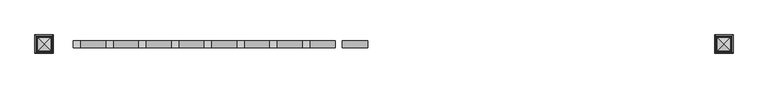
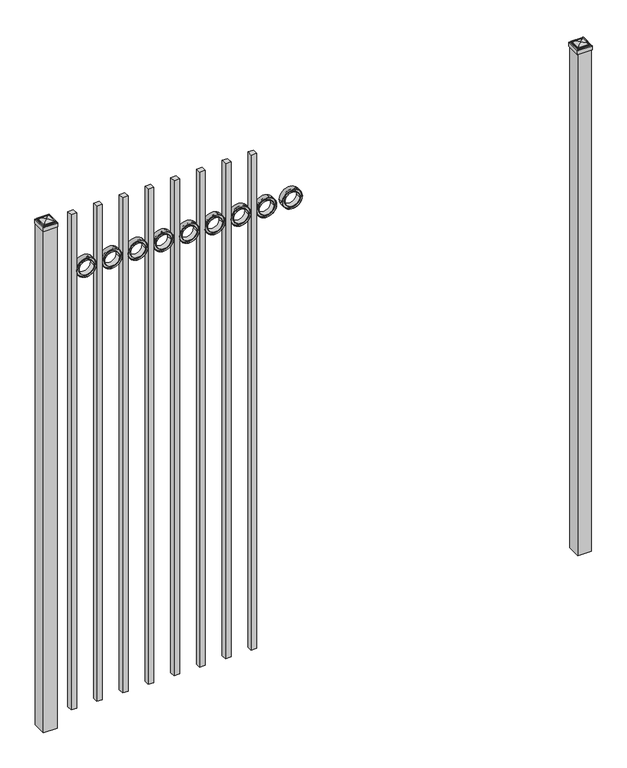
"""IFC4 building model written with IfcOpenShell, lengths in millimetres: railing geometry."""

from ifc_helpers import new_model, si_unit, point, frame, frame_2d, origin, origin_with_axes, place, context, project, spatial, polyline, circle_curve, ellipse_curve, trimmed, segment, composite_curve, outline, extrude, source, transform, mapped, element, save
from ifc_brep_helpers import plane_surface, cylinder_surface, advanced_brep


def railing_9c939551(model_context):
    return source(origin(), model_context, "Body", "SolidModel", [
        extrude(outline(composite_curve([segment(trimmed(circle_curve(frame_2d((2159.8040076, 12601.0088655)), 45.6988591), [point((2159.8040076, 12646.7077246))], [point((2159.8040076, 12555.3100064))], False, "CARTESIAN"), True, "CONTINUOUS"), segment(trimmed(circle_curve(frame_2d((2159.8040076, 12601.0088655)), 45.6988591), [point((2159.8040076, 12555.3100064))], [point((2159.8040076, 12646.7077246))], False, "CARTESIAN"), True, "CONTINUOUS")], self_intersect=False), holes=[composite_curve([segment(trimmed(circle_curve(frame_2d((2159.8040076, 12601.0088655)), 44.101539), [point((2159.8040076, 12645.1104045))], [point((2159.8040076, 12556.9073265))], True, "CARTESIAN"), True, "CONTINUOUS"), segment(trimmed(circle_curve(frame_2d((2159.8040076, 12601.0088655)), 44.101539), [point((2159.8040076, 12556.9073265))], [point((2159.8040076, 12645.1104045))], True, "CARTESIAN"), True, "CONTINUOUS")], self_intersect=False)]), frame((0.0, 7308.219541, 0.0), z_axis=(0.0, 1.0, 0.0), x_axis=(0.0, 0.0, 1.0)), (0.0, 0.0, 1.0), 25.4),
        extrude(outline(composite_curve([segment(trimmed(circle_curve(frame_2d((2159.8040076, 12601.0088655)), 34.6370762), [point((2159.8040076, 12635.6459417))], [point((2159.8040076, 12566.3717893))], False, "CARTESIAN"), True, "CONTINUOUS"), segment(trimmed(circle_curve(frame_2d((2159.8040076, 12601.0088655)), 34.6370762), [point((2159.8040076, 12566.3717893))], [point((2159.8040076, 12635.6459417))], False, "CARTESIAN"), True, "CONTINUOUS")], self_intersect=False), holes=[composite_curve([segment(trimmed(circle_curve(frame_2d((2159.8040076, 12601.0088655)), 33.0443887), [point((2159.8040076, 12634.0532542))], [point((2159.8040076, 12567.9644768))], True, "CARTESIAN"), True, "CONTINUOUS"), segment(trimmed(circle_curve(frame_2d((2159.8040076, 12601.0088655)), 33.0443887), [point((2159.8040076, 12567.9644768))], [point((2159.8040076, 12634.0532542))], True, "CARTESIAN"), True, "CONTINUOUS")], self_intersect=False)]), frame((0.0, 7308.219541, 0.0), z_axis=(0.0, 1.0, 0.0), x_axis=(0.0, 0.0, 1.0)), (0.0, 0.0, 1.0), 25.4),
        extrude(outline(composite_curve([segment(trimmed(circle_curve(frame_2d((2159.8040076, 12601.0088655)), 45.6988591), [point((2159.8040076, 12646.7077246))], [point((2159.8040076, 12555.3100064))], False, "CARTESIAN"), True, "CONTINUOUS"), segment(trimmed(circle_curve(frame_2d((2159.8040076, 12601.0088655)), 45.6988591), [point((2159.8040076, 12555.3100064))], [point((2159.8040076, 12646.7077246))], False, "CARTESIAN"), True, "CONTINUOUS")], self_intersect=False), holes=[composite_curve([segment(trimmed(circle_curve(frame_2d((2159.8040076, 12601.0088655)), 33.0443887), [point((2159.8040076, 12634.0532542))], [point((2159.8040076, 12567.9644768))], True, "CARTESIAN"), True, "CONTINUOUS"), segment(trimmed(circle_curve(frame_2d((2159.8040076, 12601.0088655)), 33.0443887), [point((2159.8040076, 12567.9644768))], [point((2159.8040076, 12634.0532542))], True, "CARTESIAN"), True, "CONTINUOUS")], self_intersect=False)]), frame((0.0, 7314.569541, 0.0), z_axis=(0.0, 1.0, 0.0), x_axis=(0.0, 0.0, 1.0)), (0.0, 0.0, 1.0), 12.7),
        extrude(outline(polyline([(12412.4350064, 7333.619541), (12437.8350064, 7333.619541), (12437.8350064, 7308.219541), (12412.4350064, 7308.219541), (12412.4350064, 7333.619541)])), frame((0.0, 0.0, 50.8), z_axis=(0.0, 0.0, 1.0), x_axis=(1.0, 0.0, 0.0)), (0.0, 0.0, 1.0), 2387.6),
        extrude(outline(composite_curve([segment(trimmed(circle_curve(frame_2d((2159.8040076, 12483.5338655)), 45.6988591), [point((2159.8040076, 12529.2327246))], [point((2159.8040076, 12437.8350064))], False, "CARTESIAN"), True, "CONTINUOUS"), segment(trimmed(circle_curve(frame_2d((2159.8040076, 12483.5338655)), 45.6988591), [point((2159.8040076, 12437.8350064))], [point((2159.8040076, 12529.2327246))], False, "CARTESIAN"), True, "CONTINUOUS")], self_intersect=False), holes=[composite_curve([segment(trimmed(circle_curve(frame_2d((2159.8040076, 12483.5338655)), 44.101539), [point((2159.8040076, 12527.6354045))], [point((2159.8040076, 12439.4323265))], True, "CARTESIAN"), True, "CONTINUOUS"), segment(trimmed(circle_curve(frame_2d((2159.8040076, 12483.5338655)), 44.101539), [point((2159.8040076, 12439.4323265))], [point((2159.8040076, 12527.6354045))], True, "CARTESIAN"), True, "CONTINUOUS")], self_intersect=False)]), frame((0.0, 7308.219541, 0.0), z_axis=(0.0, 1.0, 0.0), x_axis=(0.0, 0.0, 1.0)), (0.0, 0.0, 1.0), 25.4),
        extrude(outline(composite_curve([segment(trimmed(circle_curve(frame_2d((2159.8040076, 12483.5338655)), 34.6370762), [point((2159.8040076, 12518.1709417))], [point((2159.8040076, 12448.8967893))], False, "CARTESIAN"), True, "CONTINUOUS"), segment(trimmed(circle_curve(frame_2d((2159.8040076, 12483.5338655)), 34.6370762), [point((2159.8040076, 12448.8967893))], [point((2159.8040076, 12518.1709417))], False, "CARTESIAN"), True, "CONTINUOUS")], self_intersect=False), holes=[composite_curve([segment(trimmed(circle_curve(frame_2d((2159.8040076, 12483.5338655)), 33.0443887), [point((2159.8040076, 12516.5782542))], [point((2159.8040076, 12450.4894768))], True, "CARTESIAN"), True, "CONTINUOUS"), segment(trimmed(circle_curve(frame_2d((2159.8040076, 12483.5338655)), 33.0443887), [point((2159.8040076, 12450.4894768))], [point((2159.8040076, 12516.5782542))], True, "CARTESIAN"), True, "CONTINUOUS")], self_intersect=False)]), frame((0.0, 7308.219541, 0.0), z_axis=(0.0, 1.0, 0.0), x_axis=(0.0, 0.0, 1.0)), (0.0, 0.0, 1.0), 25.4),
        extrude(outline(composite_curve([segment(trimmed(circle_curve(frame_2d((2159.8040076, 12483.5338655)), 45.6988591), [point((2159.8040076, 12529.2327246))], [point((2159.8040076, 12437.8350064))], False, "CARTESIAN"), True, "CONTINUOUS"), segment(trimmed(circle_curve(frame_2d((2159.8040076, 12483.5338655)), 45.6988591), [point((2159.8040076, 12437.8350064))], [point((2159.8040076, 12529.2327246))], False, "CARTESIAN"), True, "CONTINUOUS")], self_intersect=False), holes=[composite_curve([segment(trimmed(circle_curve(frame_2d((2159.8040076, 12483.5338655)), 33.0443887), [point((2159.8040076, 12516.5782542))], [point((2159.8040076, 12450.4894768))], True, "CARTESIAN"), True, "CONTINUOUS"), segment(trimmed(circle_curve(frame_2d((2159.8040076, 12483.5338655)), 33.0443887), [point((2159.8040076, 12450.4894768))], [point((2159.8040076, 12516.5782542))], True, "CARTESIAN"), True, "CONTINUOUS")], self_intersect=False)]), frame((0.0, 7314.569541, 0.0), z_axis=(0.0, 1.0, 0.0), x_axis=(0.0, 0.0, 1.0)), (0.0, 0.0, 1.0), 12.7),
        extrude(outline(polyline([(12294.9600064, 7333.619541), (12320.3600064, 7333.619541), (12320.3600064, 7308.219541), (12294.9600064, 7308.219541), (12294.9600064, 7333.619541)])), frame((0.0, 0.0, 50.8), z_axis=(0.0, 0.0, 1.0), x_axis=(1.0, 0.0, 0.0)), (0.0, 0.0, 1.0), 2387.6),
        extrude(outline(composite_curve([segment(trimmed(circle_curve(frame_2d((2159.8040076, 12366.0588655)), 45.6988591), [point((2159.8040076, 12411.7577246))], [point((2159.8040076, 12320.3600064))], False, "CARTESIAN"), True, "CONTINUOUS"), segment(trimmed(circle_curve(frame_2d((2159.8040076, 12366.0588655)), 45.6988591), [point((2159.8040076, 12320.3600064))], [point((2159.8040076, 12411.7577246))], False, "CARTESIAN"), True, "CONTINUOUS")], self_intersect=False), holes=[composite_curve([segment(trimmed(circle_curve(frame_2d((2159.8040076, 12366.0588655)), 44.101539), [point((2159.8040076, 12410.1604045))], [point((2159.8040076, 12321.9573265))], True, "CARTESIAN"), True, "CONTINUOUS"), segment(trimmed(circle_curve(frame_2d((2159.8040076, 12366.0588655)), 44.101539), [point((2159.8040076, 12321.9573265))], [point((2159.8040076, 12410.1604045))], True, "CARTESIAN"), True, "CONTINUOUS")], self_intersect=False)]), frame((0.0, 7308.219541, 0.0), z_axis=(0.0, 1.0, 0.0), x_axis=(0.0, 0.0, 1.0)), (0.0, 0.0, 1.0), 25.4),
        extrude(outline(composite_curve([segment(trimmed(circle_curve(frame_2d((2159.8040076, 12366.0588655)), 34.6370762), [point((2159.8040076, 12400.6959417))], [point((2159.8040076, 12331.4217893))], False, "CARTESIAN"), True, "CONTINUOUS"), segment(trimmed(circle_curve(frame_2d((2159.8040076, 12366.0588655)), 34.6370762), [point((2159.8040076, 12331.4217893))], [point((2159.8040076, 12400.6959417))], False, "CARTESIAN"), True, "CONTINUOUS")], self_intersect=False), holes=[composite_curve([segment(trimmed(circle_curve(frame_2d((2159.8040076, 12366.0588655)), 33.0443887), [point((2159.8040076, 12399.1032542))], [point((2159.8040076, 12333.0144768))], True, "CARTESIAN"), True, "CONTINUOUS"), segment(trimmed(circle_curve(frame_2d((2159.8040076, 12366.0588655)), 33.0443887), [point((2159.8040076, 12333.0144768))], [point((2159.8040076, 12399.1032542))], True, "CARTESIAN"), True, "CONTINUOUS")], self_intersect=False)]), frame((0.0, 7308.219541, 0.0), z_axis=(0.0, 1.0, 0.0), x_axis=(0.0, 0.0, 1.0)), (0.0, 0.0, 1.0), 25.4),
        extrude(outline(composite_curve([segment(trimmed(circle_curve(frame_2d((2159.8040076, 12366.0588655)), 45.6988591), [point((2159.8040076, 12411.7577246))], [point((2159.8040076, 12320.3600064))], False, "CARTESIAN"), True, "CONTINUOUS"), segment(trimmed(circle_curve(frame_2d((2159.8040076, 12366.0588655)), 45.6988591), [point((2159.8040076, 12320.3600064))], [point((2159.8040076, 12411.7577246))], False, "CARTESIAN"), True, "CONTINUOUS")], self_intersect=False), holes=[composite_curve([segment(trimmed(circle_curve(frame_2d((2159.8040076, 12366.0588655)), 33.0443887), [point((2159.8040076, 12399.1032542))], [point((2159.8040076, 12333.0144768))], True, "CARTESIAN"), True, "CONTINUOUS"), segment(trimmed(circle_curve(frame_2d((2159.8040076, 12366.0588655)), 33.0443887), [point((2159.8040076, 12333.0144768))], [point((2159.8040076, 12399.1032542))], True, "CARTESIAN"), True, "CONTINUOUS")], self_intersect=False)]), frame((0.0, 7314.569541, 0.0), z_axis=(0.0, 1.0, 0.0), x_axis=(0.0, 0.0, 1.0)), (0.0, 0.0, 1.0), 12.7),
        extrude(outline(polyline([(12177.4850064, 7333.619541), (12202.8850064, 7333.619541), (12202.8850064, 7308.219541), (12177.4850064, 7308.219541), (12177.4850064, 7333.619541)])), frame((0.0, 0.0, 50.8), z_axis=(0.0, 0.0, 1.0), x_axis=(1.0, 0.0, 0.0)), (0.0, 0.0, 1.0), 2387.6),
        extrude(outline(composite_curve([segment(trimmed(circle_curve(frame_2d((2159.8040076, 12248.5838655)), 45.6988591), [point((2159.8040076, 12294.2827246))], [point((2159.8040076, 12202.8850064))], False, "CARTESIAN"), True, "CONTINUOUS"), segment(trimmed(circle_curve(frame_2d((2159.8040076, 12248.5838655)), 45.6988591), [point((2159.8040076, 12202.8850064))], [point((2159.8040076, 12294.2827246))], False, "CARTESIAN"), True, "CONTINUOUS")], self_intersect=False), holes=[composite_curve([segment(trimmed(circle_curve(frame_2d((2159.8040076, 12248.5838655)), 44.101539), [point((2159.8040076, 12292.6854045))], [point((2159.8040076, 12204.4823265))], True, "CARTESIAN"), True, "CONTINUOUS"), segment(trimmed(circle_curve(frame_2d((2159.8040076, 12248.5838655)), 44.101539), [point((2159.8040076, 12204.4823265))], [point((2159.8040076, 12292.6854045))], True, "CARTESIAN"), True, "CONTINUOUS")], self_intersect=False)]), frame((0.0, 7308.219541, 0.0), z_axis=(0.0, 1.0, 0.0), x_axis=(0.0, 0.0, 1.0)), (0.0, 0.0, 1.0), 25.4),
        extrude(outline(composite_curve([segment(trimmed(circle_curve(frame_2d((2159.8040076, 12248.5838655)), 34.6370762), [point((2159.8040076, 12283.2209417))], [point((2159.8040076, 12213.9467893))], False, "CARTESIAN"), True, "CONTINUOUS"), segment(trimmed(circle_curve(frame_2d((2159.8040076, 12248.5838655)), 34.6370762), [point((2159.8040076, 12213.9467893))], [point((2159.8040076, 12283.2209417))], False, "CARTESIAN"), True, "CONTINUOUS")], self_intersect=False), holes=[composite_curve([segment(trimmed(circle_curve(frame_2d((2159.8040076, 12248.5838655)), 33.0443887), [point((2159.8040076, 12281.6282542))], [point((2159.8040076, 12215.5394768))], True, "CARTESIAN"), True, "CONTINUOUS"), segment(trimmed(circle_curve(frame_2d((2159.8040076, 12248.5838655)), 33.0443887), [point((2159.8040076, 12215.5394768))], [point((2159.8040076, 12281.6282542))], True, "CARTESIAN"), True, "CONTINUOUS")], self_intersect=False)]), frame((0.0, 7308.219541, 0.0), z_axis=(0.0, 1.0, 0.0), x_axis=(0.0, 0.0, 1.0)), (0.0, 0.0, 1.0), 25.4),
        extrude(outline(composite_curve([segment(trimmed(circle_curve(frame_2d((2159.8040076, 12248.5838655)), 45.6988591), [point((2159.8040076, 12294.2827246))], [point((2159.8040076, 12202.8850064))], False, "CARTESIAN"), True, "CONTINUOUS"), segment(trimmed(circle_curve(frame_2d((2159.8040076, 12248.5838655)), 45.6988591), [point((2159.8040076, 12202.8850064))], [point((2159.8040076, 12294.2827246))], False, "CARTESIAN"), True, "CONTINUOUS")], self_intersect=False), holes=[composite_curve([segment(trimmed(circle_curve(frame_2d((2159.8040076, 12248.5838655)), 33.0443887), [point((2159.8040076, 12281.6282542))], [point((2159.8040076, 12215.5394768))], True, "CARTESIAN"), True, "CONTINUOUS"), segment(trimmed(circle_curve(frame_2d((2159.8040076, 12248.5838655)), 33.0443887), [point((2159.8040076, 12215.5394768))], [point((2159.8040076, 12281.6282542))], True, "CARTESIAN"), True, "CONTINUOUS")], self_intersect=False)]), frame((0.0, 7314.569541, 0.0), z_axis=(0.0, 1.0, 0.0), x_axis=(0.0, 0.0, 1.0)), (0.0, 0.0, 1.0), 12.7),
        extrude(outline(polyline([(12060.0100064, 7333.619541), (12085.4100064, 7333.619541), (12085.4100064, 7308.219541), (12060.0100064, 7308.219541), (12060.0100064, 7333.619541)])), frame((0.0, 0.0, 50.8), z_axis=(0.0, 0.0, 1.0), x_axis=(1.0, 0.0, 0.0)), (0.0, 0.0, 1.0), 2387.6),
        extrude(outline(composite_curve([segment(trimmed(circle_curve(frame_2d((2159.8040076, 12131.1088655)), 45.6988591), [point((2159.8040076, 12176.8077246))], [point((2159.8040076, 12085.4100064))], False, "CARTESIAN"), True, "CONTINUOUS"), segment(trimmed(circle_curve(frame_2d((2159.8040076, 12131.1088655)), 45.6988591), [point((2159.8040076, 12085.4100064))], [point((2159.8040076, 12176.8077246))], False, "CARTESIAN"), True, "CONTINUOUS")], self_intersect=False), holes=[composite_curve([segment(trimmed(circle_curve(frame_2d((2159.8040076, 12131.1088655)), 44.101539), [point((2159.8040076, 12175.2104045))], [point((2159.8040076, 12087.0073265))], True, "CARTESIAN"), True, "CONTINUOUS"), segment(trimmed(circle_curve(frame_2d((2159.8040076, 12131.1088655)), 44.101539), [point((2159.8040076, 12087.0073265))], [point((2159.8040076, 12175.2104045))], True, "CARTESIAN"), True, "CONTINUOUS")], self_intersect=False)]), frame((0.0, 7308.219541, 0.0), z_axis=(0.0, 1.0, 0.0), x_axis=(0.0, 0.0, 1.0)), (0.0, 0.0, 1.0), 25.4),
        extrude(outline(composite_curve([segment(trimmed(circle_curve(frame_2d((2159.8040076, 12131.1088655)), 34.6370762), [point((2159.8040076, 12165.7459417))], [point((2159.8040076, 12096.4717893))], False, "CARTESIAN"), True, "CONTINUOUS"), segment(trimmed(circle_curve(frame_2d((2159.8040076, 12131.1088655)), 34.6370762), [point((2159.8040076, 12096.4717893))], [point((2159.8040076, 12165.7459417))], False, "CARTESIAN"), True, "CONTINUOUS")], self_intersect=False), holes=[composite_curve([segment(trimmed(circle_curve(frame_2d((2159.8040076, 12131.1088655)), 33.0443887), [point((2159.8040076, 12164.1532542))], [point((2159.8040076, 12098.0644768))], True, "CARTESIAN"), True, "CONTINUOUS"), segment(trimmed(circle_curve(frame_2d((2159.8040076, 12131.1088655)), 33.0443887), [point((2159.8040076, 12098.0644768))], [point((2159.8040076, 12164.1532542))], True, "CARTESIAN"), True, "CONTINUOUS")], self_intersect=False)]), frame((0.0, 7308.219541, 0.0), z_axis=(0.0, 1.0, 0.0), x_axis=(0.0, 0.0, 1.0)), (0.0, 0.0, 1.0), 25.4),
        extrude(outline(composite_curve([segment(trimmed(circle_curve(frame_2d((2159.8040076, 12131.1088655)), 45.6988591), [point((2159.8040076, 12176.8077246))], [point((2159.8040076, 12085.4100064))], False, "CARTESIAN"), True, "CONTINUOUS"), segment(trimmed(circle_curve(frame_2d((2159.8040076, 12131.1088655)), 45.6988591), [point((2159.8040076, 12085.4100064))], [point((2159.8040076, 12176.8077246))], False, "CARTESIAN"), True, "CONTINUOUS")], self_intersect=False), holes=[composite_curve([segment(trimmed(circle_curve(frame_2d((2159.8040076, 12131.1088655)), 33.0443887), [point((2159.8040076, 12164.1532542))], [point((2159.8040076, 12098.0644768))], True, "CARTESIAN"), True, "CONTINUOUS"), segment(trimmed(circle_curve(frame_2d((2159.8040076, 12131.1088655)), 33.0443887), [point((2159.8040076, 12098.0644768))], [point((2159.8040076, 12164.1532542))], True, "CARTESIAN"), True, "CONTINUOUS")], self_intersect=False)]), frame((0.0, 7314.569541, 0.0), z_axis=(0.0, 1.0, 0.0), x_axis=(0.0, 0.0, 1.0)), (0.0, 0.0, 1.0), 12.7),
        extrude(outline(polyline([(11942.5350064, 7333.619541), (11967.9350064, 7333.619541), (11967.9350064, 7308.219541), (11942.5350064, 7308.219541), (11942.5350064, 7333.619541)])), frame((0.0, 0.0, 50.8), z_axis=(0.0, 0.0, 1.0), x_axis=(1.0, 0.0, 0.0)), (0.0, 0.0, 1.0), 2387.6),
        extrude(outline(composite_curve([segment(trimmed(circle_curve(frame_2d((2159.8040076, 12013.6338655)), 45.6988591), [point((2159.8040076, 12059.3327246))], [point((2159.8040076, 11967.9350064))], False, "CARTESIAN"), True, "CONTINUOUS"), segment(trimmed(circle_curve(frame_2d((2159.8040076, 12013.6338655)), 45.6988591), [point((2159.8040076, 11967.9350064))], [point((2159.8040076, 12059.3327246))], False, "CARTESIAN"), True, "CONTINUOUS")], self_intersect=False), holes=[composite_curve([segment(trimmed(circle_curve(frame_2d((2159.8040076, 12013.6338655)), 44.101539), [point((2159.8040076, 12057.7354045))], [point((2159.8040076, 11969.5323265))], True, "CARTESIAN"), True, "CONTINUOUS"), segment(trimmed(circle_curve(frame_2d((2159.8040076, 12013.6338655)), 44.101539), [point((2159.8040076, 11969.5323265))], [point((2159.8040076, 12057.7354045))], True, "CARTESIAN"), True, "CONTINUOUS")], self_intersect=False)]), frame((0.0, 7308.219541, 0.0), z_axis=(0.0, 1.0, 0.0), x_axis=(0.0, 0.0, 1.0)), (0.0, 0.0, 1.0), 25.4),
        extrude(outline(composite_curve([segment(trimmed(circle_curve(frame_2d((2159.8040076, 12013.6338655)), 34.6370762), [point((2159.8040076, 12048.2709417))], [point((2159.8040076, 11978.9967893))], False, "CARTESIAN"), True, "CONTINUOUS"), segment(trimmed(circle_curve(frame_2d((2159.8040076, 12013.6338655)), 34.6370762), [point((2159.8040076, 11978.9967893))], [point((2159.8040076, 12048.2709417))], False, "CARTESIAN"), True, "CONTINUOUS")], self_intersect=False), holes=[composite_curve([segment(trimmed(circle_curve(frame_2d((2159.8040076, 12013.6338655)), 33.0443887), [point((2159.8040076, 12046.6782542))], [point((2159.8040076, 11980.5894768))], True, "CARTESIAN"), True, "CONTINUOUS"), segment(trimmed(circle_curve(frame_2d((2159.8040076, 12013.6338655)), 33.0443887), [point((2159.8040076, 11980.5894768))], [point((2159.8040076, 12046.6782542))], True, "CARTESIAN"), True, "CONTINUOUS")], self_intersect=False)]), frame((0.0, 7308.219541, 0.0), z_axis=(0.0, 1.0, 0.0), x_axis=(0.0, 0.0, 1.0)), (0.0, 0.0, 1.0), 25.4),
        extrude(outline(composite_curve([segment(trimmed(circle_curve(frame_2d((2159.8040076, 12013.6338655)), 45.6988591), [point((2159.8040076, 12059.3327246))], [point((2159.8040076, 11967.9350064))], False, "CARTESIAN"), True, "CONTINUOUS"), segment(trimmed(circle_curve(frame_2d((2159.8040076, 12013.6338655)), 45.6988591), [point((2159.8040076, 11967.9350064))], [point((2159.8040076, 12059.3327246))], False, "CARTESIAN"), True, "CONTINUOUS")], self_intersect=False), holes=[composite_curve([segment(trimmed(circle_curve(frame_2d((2159.8040076, 12013.6338655)), 33.0443887), [point((2159.8040076, 12046.6782542))], [point((2159.8040076, 11980.5894768))], True, "CARTESIAN"), True, "CONTINUOUS"), segment(trimmed(circle_curve(frame_2d((2159.8040076, 12013.6338655)), 33.0443887), [point((2159.8040076, 11980.5894768))], [point((2159.8040076, 12046.6782542))], True, "CARTESIAN"), True, "CONTINUOUS")], self_intersect=False)]), frame((0.0, 7314.569541, 0.0), z_axis=(0.0, 1.0, 0.0), x_axis=(0.0, 0.0, 1.0)), (0.0, 0.0, 1.0), 12.7),
        extrude(outline(polyline([(11825.0600064, 7333.619541), (11850.4600064, 7333.619541), (11850.4600064, 7308.219541), (11825.0600064, 7308.219541), (11825.0600064, 7333.619541)])), frame((0.0, 0.0, 50.8), z_axis=(0.0, 0.0, 1.0), x_axis=(1.0, 0.0, 0.0)), (0.0, 0.0, 1.0), 2387.6),
        extrude(outline(composite_curve([segment(trimmed(circle_curve(frame_2d((2159.8040076, 11896.1588655)), 45.6988591), [point((2159.8040076, 11941.8577246))], [point((2159.8040076, 11850.4600064))], False, "CARTESIAN"), True, "CONTINUOUS"), segment(trimmed(circle_curve(frame_2d((2159.8040076, 11896.1588655)), 45.6988591), [point((2159.8040076, 11850.4600064))], [point((2159.8040076, 11941.8577246))], False, "CARTESIAN"), True, "CONTINUOUS")], self_intersect=False), holes=[composite_curve([segment(trimmed(circle_curve(frame_2d((2159.8040076, 11896.1588655)), 44.101539), [point((2159.8040076, 11940.2604045))], [point((2159.8040076, 11852.0573265))], True, "CARTESIAN"), True, "CONTINUOUS"), segment(trimmed(circle_curve(frame_2d((2159.8040076, 11896.1588655)), 44.101539), [point((2159.8040076, 11852.0573265))], [point((2159.8040076, 11940.2604045))], True, "CARTESIAN"), True, "CONTINUOUS")], self_intersect=False)]), frame((0.0, 7308.219541, 0.0), z_axis=(0.0, 1.0, 0.0), x_axis=(0.0, 0.0, 1.0)), (0.0, 0.0, 1.0), 25.4),
        extrude(outline(composite_curve([segment(trimmed(circle_curve(frame_2d((2159.8040076, 11896.1588655)), 34.6370762), [point((2159.8040076, 11930.7959417))], [point((2159.8040076, 11861.5217893))], False, "CARTESIAN"), True, "CONTINUOUS"), segment(trimmed(circle_curve(frame_2d((2159.8040076, 11896.1588655)), 34.6370762), [point((2159.8040076, 11861.5217893))], [point((2159.8040076, 11930.7959417))], False, "CARTESIAN"), True, "CONTINUOUS")], self_intersect=False), holes=[composite_curve([segment(trimmed(circle_curve(frame_2d((2159.8040076, 11896.1588655)), 33.0443887), [point((2159.8040076, 11929.2032542))], [point((2159.8040076, 11863.1144768))], True, "CARTESIAN"), True, "CONTINUOUS"), segment(trimmed(circle_curve(frame_2d((2159.8040076, 11896.1588655)), 33.0443887), [point((2159.8040076, 11863.1144768))], [point((2159.8040076, 11929.2032542))], True, "CARTESIAN"), True, "CONTINUOUS")], self_intersect=False)]), frame((0.0, 7308.219541, 0.0), z_axis=(0.0, 1.0, 0.0), x_axis=(0.0, 0.0, 1.0)), (0.0, 0.0, 1.0), 25.4),
        extrude(outline(composite_curve([segment(trimmed(circle_curve(frame_2d((2159.8040076, 11896.1588655)), 45.6988591), [point((2159.8040076, 11941.8577246))], [point((2159.8040076, 11850.4600064))], False, "CARTESIAN"), True, "CONTINUOUS"), segment(trimmed(circle_curve(frame_2d((2159.8040076, 11896.1588655)), 45.6988591), [point((2159.8040076, 11850.4600064))], [point((2159.8040076, 11941.8577246))], False, "CARTESIAN"), True, "CONTINUOUS")], self_intersect=False), holes=[composite_curve([segment(trimmed(circle_curve(frame_2d((2159.8040076, 11896.1588655)), 33.0443887), [point((2159.8040076, 11929.2032542))], [point((2159.8040076, 11863.1144768))], True, "CARTESIAN"), True, "CONTINUOUS"), segment(trimmed(circle_curve(frame_2d((2159.8040076, 11896.1588655)), 33.0443887), [point((2159.8040076, 11863.1144768))], [point((2159.8040076, 11929.2032542))], True, "CARTESIAN"), True, "CONTINUOUS")], self_intersect=False)]), frame((0.0, 7314.569541, 0.0), z_axis=(0.0, 1.0, 0.0), x_axis=(0.0, 0.0, 1.0)), (0.0, 0.0, 1.0), 12.7),
        extrude(outline(polyline([(11707.5850064, 7333.619541), (11732.9850064, 7333.619541), (11732.9850064, 7308.219541), (11707.5850064, 7308.219541), (11707.5850064, 7333.619541)])), frame((0.0, 0.0, 50.8), z_axis=(0.0, 0.0, 1.0), x_axis=(1.0, 0.0, 0.0)), (0.0, 0.0, 1.0), 2387.6),
        extrude(outline(composite_curve([segment(trimmed(circle_curve(frame_2d((2159.8040076, 11778.6838655)), 45.6988591), [point((2159.8040076, 11824.3827246))], [point((2159.8040076, 11732.9850064))], False, "CARTESIAN"), True, "CONTINUOUS"), segment(trimmed(circle_curve(frame_2d((2159.8040076, 11778.6838655)), 45.6988591), [point((2159.8040076, 11732.9850064))], [point((2159.8040076, 11824.3827246))], False, "CARTESIAN"), True, "CONTINUOUS")], self_intersect=False), holes=[composite_curve([segment(trimmed(circle_curve(frame_2d((2159.8040076, 11778.6838655)), 44.101539), [point((2159.8040076, 11822.7854045))], [point((2159.8040076, 11734.5823265))], True, "CARTESIAN"), True, "CONTINUOUS"), segment(trimmed(circle_curve(frame_2d((2159.8040076, 11778.6838655)), 44.101539), [point((2159.8040076, 11734.5823265))], [point((2159.8040076, 11822.7854045))], True, "CARTESIAN"), True, "CONTINUOUS")], self_intersect=False)]), frame((0.0, 7308.219541, 0.0), z_axis=(0.0, 1.0, 0.0), x_axis=(0.0, 0.0, 1.0)), (0.0, 0.0, 1.0), 25.4),
        extrude(outline(composite_curve([segment(trimmed(circle_curve(frame_2d((2159.8040076, 11778.6838655)), 34.6370762), [point((2159.8040076, 11813.3209417))], [point((2159.8040076, 11744.0467893))], False, "CARTESIAN"), True, "CONTINUOUS"), segment(trimmed(circle_curve(frame_2d((2159.8040076, 11778.6838655)), 34.6370762), [point((2159.8040076, 11744.0467893))], [point((2159.8040076, 11813.3209417))], False, "CARTESIAN"), True, "CONTINUOUS")], self_intersect=False), holes=[composite_curve([segment(trimmed(circle_curve(frame_2d((2159.8040076, 11778.6838655)), 33.0443887), [point((2159.8040076, 11811.7282542))], [point((2159.8040076, 11745.6394768))], True, "CARTESIAN"), True, "CONTINUOUS"), segment(trimmed(circle_curve(frame_2d((2159.8040076, 11778.6838655)), 33.0443887), [point((2159.8040076, 11745.6394768))], [point((2159.8040076, 11811.7282542))], True, "CARTESIAN"), True, "CONTINUOUS")], self_intersect=False)]), frame((0.0, 7308.219541, 0.0), z_axis=(0.0, 1.0, 0.0), x_axis=(0.0, 0.0, 1.0)), (0.0, 0.0, 1.0), 25.4),
        extrude(outline(composite_curve([segment(trimmed(circle_curve(frame_2d((2159.8040076, 11778.6838655)), 45.6988591), [point((2159.8040076, 11824.3827246))], [point((2159.8040076, 11732.9850064))], False, "CARTESIAN"), True, "CONTINUOUS"), segment(trimmed(circle_curve(frame_2d((2159.8040076, 11778.6838655)), 45.6988591), [point((2159.8040076, 11732.9850064))], [point((2159.8040076, 11824.3827246))], False, "CARTESIAN"), True, "CONTINUOUS")], self_intersect=False), holes=[composite_curve([segment(trimmed(circle_curve(frame_2d((2159.8040076, 11778.6838655)), 33.0443887), [point((2159.8040076, 11811.7282542))], [point((2159.8040076, 11745.6394768))], True, "CARTESIAN"), True, "CONTINUOUS"), segment(trimmed(circle_curve(frame_2d((2159.8040076, 11778.6838655)), 33.0443887), [point((2159.8040076, 11745.6394768))], [point((2159.8040076, 11811.7282542))], True, "CARTESIAN"), True, "CONTINUOUS")], self_intersect=False)]), frame((0.0, 7314.569541, 0.0), z_axis=(0.0, 1.0, 0.0), x_axis=(0.0, 0.0, 1.0)), (0.0, 0.0, 1.0), 12.7),
        extrude(outline(polyline([(11590.1100064, 7333.619541), (11615.5100064, 7333.619541), (11615.5100064, 7308.219541), (11590.1100064, 7308.219541), (11590.1100064, 7333.619541)])), frame((0.0, 0.0, 50.8), z_axis=(0.0, 0.0, 1.0), x_axis=(1.0, 0.0, 0.0)), (0.0, 0.0, 1.0), 2387.6),
        extrude(outline(composite_curve([segment(trimmed(circle_curve(frame_2d((2159.8040076, 11661.2088655)), 45.6988591), [point((2159.8040076, 11706.9077246))], [point((2159.8040076, 11615.5100064))], False, "CARTESIAN"), True, "CONTINUOUS"), segment(trimmed(circle_curve(frame_2d((2159.8040076, 11661.2088655)), 45.6988591), [point((2159.8040076, 11615.5100064))], [point((2159.8040076, 11706.9077246))], False, "CARTESIAN"), True, "CONTINUOUS")], self_intersect=False), holes=[composite_curve([segment(trimmed(circle_curve(frame_2d((2159.8040076, 11661.2088655)), 44.101539), [point((2159.8040076, 11705.3104045))], [point((2159.8040076, 11617.1073265))], True, "CARTESIAN"), True, "CONTINUOUS"), segment(trimmed(circle_curve(frame_2d((2159.8040076, 11661.2088655)), 44.101539), [point((2159.8040076, 11617.1073265))], [point((2159.8040076, 11705.3104045))], True, "CARTESIAN"), True, "CONTINUOUS")], self_intersect=False)]), frame((0.0, 7308.219541, 0.0), z_axis=(0.0, 1.0, 0.0), x_axis=(0.0, 0.0, 1.0)), (0.0, 0.0, 1.0), 25.4),
        extrude(outline(composite_curve([segment(trimmed(circle_curve(frame_2d((2159.8040076, 11661.2088655)), 34.6370762), [point((2159.8040076, 11695.8459417))], [point((2159.8040076, 11626.5717893))], False, "CARTESIAN"), True, "CONTINUOUS"), segment(trimmed(circle_curve(frame_2d((2159.8040076, 11661.2088655)), 34.6370762), [point((2159.8040076, 11626.5717893))], [point((2159.8040076, 11695.8459417))], False, "CARTESIAN"), True, "CONTINUOUS")], self_intersect=False), holes=[composite_curve([segment(trimmed(circle_curve(frame_2d((2159.8040076, 11661.2088655)), 33.0443887), [point((2159.8040076, 11694.2532542))], [point((2159.8040076, 11628.1644768))], True, "CARTESIAN"), True, "CONTINUOUS"), segment(trimmed(circle_curve(frame_2d((2159.8040076, 11661.2088655)), 33.0443887), [point((2159.8040076, 11628.1644768))], [point((2159.8040076, 11694.2532542))], True, "CARTESIAN"), True, "CONTINUOUS")], self_intersect=False)]), frame((0.0, 7308.219541, 0.0), z_axis=(0.0, 1.0, 0.0), x_axis=(0.0, 0.0, 1.0)), (0.0, 0.0, 1.0), 25.4),
        extrude(outline(composite_curve([segment(trimmed(circle_curve(frame_2d((2159.8040076, 11661.2088655)), 45.6988591), [point((2159.8040076, 11706.9077246))], [point((2159.8040076, 11615.5100064))], False, "CARTESIAN"), True, "CONTINUOUS"), segment(trimmed(circle_curve(frame_2d((2159.8040076, 11661.2088655)), 45.6988591), [point((2159.8040076, 11615.5100064))], [point((2159.8040076, 11706.9077246))], False, "CARTESIAN"), True, "CONTINUOUS")], self_intersect=False), holes=[composite_curve([segment(trimmed(circle_curve(frame_2d((2159.8040076, 11661.2088655)), 33.0443887), [point((2159.8040076, 11694.2532542))], [point((2159.8040076, 11628.1644768))], True, "CARTESIAN"), True, "CONTINUOUS"), segment(trimmed(circle_curve(frame_2d((2159.8040076, 11661.2088655)), 33.0443887), [point((2159.8040076, 11628.1644768))], [point((2159.8040076, 11694.2532542))], True, "CARTESIAN"), True, "CONTINUOUS")], self_intersect=False)]), frame((0.0, 7314.569541, 0.0), z_axis=(0.0, 1.0, 0.0), x_axis=(0.0, 0.0, 1.0)), (0.0, 0.0, 1.0), 12.7),
        extrude(outline(polyline([(13955.4850064, 7352.669541), (13955.4850064, 7289.169541), (13891.9850064, 7289.169541), (13891.9850064, 7352.669541), (13955.4850064, 7352.669541)])), origin_with_axes(), (0.0, 0.0, 1.0), 2417.7625),
        advanced_brep(
        [(13890.3975064, 7354.257041, 2436.01875), (13890.3975064, 7354.257041, 2417.7625), (13890.3975064, 7287.582041, 2417.7625), (13890.3975064, 7287.582041, 2436.01875), (13892.7787564, 7351.875791, 2438.4), (13892.7787564, 7289.963291, 2438.4), (13895.1600064, 7349.494541, 2440.78125), (13895.1600064, 7349.494541, 2438.4), (13895.1600064, 7292.344541, 2438.4), (13895.1600064, 7292.344541, 2440.78125), (13897.5412564, 7347.113291, 2443.1625), (13897.5412564, 7294.725791, 2443.1625), (13923.7350064, 7320.919541, 2449.5125), (13899.9225064, 7344.732041, 2443.1625), (13899.9225064, 7297.107041, 2443.1625), (13957.0725064, 7287.582041, 2417.7625), (13957.0725064, 7287.582041, 2436.01875), (13954.6912564, 7289.963291, 2438.4), (13952.3100064, 7292.344541, 2438.4), (13952.3100064, 7292.344541, 2440.78125), (13949.9287564, 7294.725791, 2443.1625), (13947.5475064, 7297.107041, 2443.1625), (13957.0725064, 7354.257041, 2417.7625), (13957.0725064, 7354.257041, 2436.01875), (13954.6912564, 7351.875791, 2438.4), (13952.3100064, 7349.494541, 2438.4), (13952.3100064, 7349.494541, 2440.78125), (13949.9287564, 7347.113291, 2443.1625), (13947.5475064, 7344.732041, 2443.1625)],
        [
            (0, 1),
            (1, 2),
            (2, 3),
            (3, 0),
            (4, 0, ellipse_curve(frame((13892.7787564, 7351.875791, 2436.01875), z_axis=(-0.70710678118655, -0.7071067811865449, 0.0), x_axis=(-0.7071067811865448, 0.7071067811865501, 0.0)), 3.367596, 2.38125)),
            (3, 5, ellipse_curve(frame((13892.7787564, 7289.963291, 2436.01875), z_axis=(-0.7071067811865449, 0.70710678118655, 0.0), x_axis=(0.7071067811865499, 0.707106781186545, 0.0)), 3.367596, 2.38125)),
            (5, 4),
            (6, 7),
            (7, 8),
            (8, 9),
            (9, 6),
            (10, 6, ellipse_curve(frame((13897.5412564, 7347.113291, 2440.78125), z_axis=(-0.70710678118655, -0.7071067811865449, 0.0), x_axis=(-0.7071067811865448, 0.7071067811865501, 0.0)), 3.367596, 2.38125)),
            (9, 11, ellipse_curve(frame((13897.5412564, 7294.725791, 2440.78125), z_axis=(-0.7071067811865449, 0.70710678118655, 0.0), x_axis=(0.7071067811865499, 0.707106781186545, 0.0)), 3.367596, 2.38125)),
            (11, 10),
            (12, 13, ellipse_curve(frame((13923.7350064, 7320.919541, 2401.6890625), z_axis=(-0.70710678118655, -0.7071067811865449, 0.0), x_axis=(-0.7071067811865448, 0.7071067811865501, 0.0)), 67.6325539, 47.8234375)),
            (13, 14),
            (14, 12, ellipse_curve(frame((13923.7350064, 7320.919541, 2401.6890625), z_axis=(-0.7071067811865449, 0.70710678118655, 0.0), x_axis=(0.7071067811865499, 0.707106781186545, 0.0)), 67.6325539, 47.8234375)),
            (2, 15),
            (15, 16),
            (16, 3),
            (16, 17, ellipse_curve(frame((13954.6912564, 7289.963291, 2436.01875), z_axis=(-0.70710678118655, -0.707106781186545, 0.0), x_axis=(-0.707106781186545, 0.70710678118655, 0.0)), 3.367596, 2.38125)),
            (17, 5),
            (8, 18),
            (18, 19),
            (19, 9),
            (19, 20, ellipse_curve(frame((13949.9287564, 7294.725791, 2440.78125), z_axis=(-0.70710678118655, -0.707106781186545, 0.0), x_axis=(-0.707106781186545, 0.70710678118655, 0.0)), 3.367596, 2.38125)),
            (20, 11),
            (14, 21),
            (21, 12, ellipse_curve(frame((13923.7350064, 7320.919541, 2401.6890625), z_axis=(-0.70710678118655, -0.707106781186545, 0.0), x_axis=(-0.707106781186545, 0.70710678118655, 0.0)), 67.6325539, 47.8234375)),
            (15, 22),
            (22, 23),
            (23, 16),
            (23, 24, ellipse_curve(frame((13954.6912564, 7351.875791, 2436.01875), z_axis=(0.707106781186545, -0.7071067811865499, 0.0), x_axis=(-0.7071067811865497, -0.7071067811865452, 0.0)), 3.367596, 2.38125)),
            (24, 17),
            (18, 25),
            (25, 26),
            (26, 19),
            (26, 27, ellipse_curve(frame((13949.9287564, 7347.113291, 2440.78125), z_axis=(0.707106781186545, -0.7071067811865499, 0.0), x_axis=(-0.7071067811865497, -0.7071067811865452, 0.0)), 3.367596, 2.38125)),
            (27, 20),
            (21, 28),
            (28, 12, ellipse_curve(frame((13923.7350064, 7320.919541, 2401.6890625), z_axis=(0.707106781186545, -0.7071067811865499, 0.0), x_axis=(-0.7071067811865497, -0.7071067811865452, 0.0)), 67.6325539, 47.8234375)),
            (22, 1),
            (0, 23),
            (4, 24),
            (7, 25),
            (6, 26),
            (10, 27),
            (13, 28),
        ],
        [
            plane_surface(frame((13890.3975064, 7354.257041, 2417.7625), z_axis=(-1.0, 0.0, 0.0), x_axis=(0.0, -1.0, 0.0))),
            cylinder_surface(frame((13892.7787564, 7352.669541, 2436.01875), z_axis=(0.0, 1.0, 0.0), x_axis=(1.0, 0.0, 0.0)), 2.38125),
            plane_surface(frame((13895.1600064, 7349.494541, 2438.4), z_axis=(-1.0, 0.0, 0.0), x_axis=(0.0, -1.0, 0.0))),
            cylinder_surface(frame((13897.5412564, 7352.669541, 2440.78125), z_axis=(0.0, 1.0, 0.0), x_axis=(1.0, 0.0, 0.0)), 2.38125),
            cylinder_surface(frame((13923.7350064, 7352.669541, 2401.6890625), z_axis=(0.0, 1.0, 0.0), x_axis=(1.0, 0.0, 0.0)), 47.8234375),
            plane_surface(frame((13890.3975064, 7287.582041, 2417.7625), z_axis=(0.0, -1.0, 0.0), x_axis=(1.0, 0.0, 0.0))),
            cylinder_surface(frame((13891.9850064, 7289.963291, 2436.01875), z_axis=(-1.0, 0.0, 0.0), x_axis=(0.0, 1.0, 0.0)), 2.38125),
            plane_surface(frame((13895.1600064, 7292.344541, 2438.4), z_axis=(0.0, -1.0, 0.0), x_axis=(1.0, 0.0, 0.0))),
            cylinder_surface(frame((13891.9850064, 7294.725791, 2440.78125), z_axis=(-1.0, 0.0, 0.0), x_axis=(0.0, 1.0, 0.0)), 2.38125),
            cylinder_surface(frame((13891.9850064, 7320.919541, 2401.6890625), z_axis=(-1.0, 0.0, 0.0), x_axis=(0.0, 1.0, 0.0)), 47.8234375),
            plane_surface(frame((13957.0725064, 7287.582041, 2417.7625), z_axis=(1.0, 0.0, 0.0), x_axis=(0.0, 1.0, 0.0))),
            cylinder_surface(frame((13954.6912564, 7289.169541, 2436.01875), z_axis=(0.0, -1.0, 0.0), x_axis=(-1.0, 0.0, 0.0)), 2.38125),
            plane_surface(frame((13952.3100064, 7292.344541, 2438.4), z_axis=(1.0, 0.0, 0.0), x_axis=(0.0, 1.0, 0.0))),
            cylinder_surface(frame((13949.9287564, 7289.169541, 2440.78125), z_axis=(0.0, -1.0, 0.0), x_axis=(-1.0, 0.0, 0.0)), 2.38125),
            cylinder_surface(frame((13923.7350064, 7289.169541, 2401.6890625), z_axis=(0.0, -1.0, 0.0), x_axis=(-1.0, 0.0, 0.0)), 47.8234375),
            plane_surface(frame((13957.0725064, 7354.257041, 2417.7625), z_axis=(0.0, 1.0, 0.0), x_axis=(-1.0, 0.0, 0.0))),
            cylinder_surface(frame((13955.4850064, 7351.875791, 2436.01875), z_axis=(1.0, 0.0, 0.0), x_axis=(0.0, -1.0, 0.0)), 2.38125),
            plane_surface(frame((13954.6912564, 7351.875791, 2438.4), z_axis=(0.0, 0.0, 1.0), x_axis=(-1.0, 0.0, 0.0))),
            plane_surface(frame((13952.3100064, 7349.494541, 2438.4), z_axis=(0.0, 1.0, 0.0), x_axis=(-1.0, 0.0, 0.0))),
            cylinder_surface(frame((13955.4850064, 7347.113291, 2440.78125), z_axis=(1.0, 0.0, 0.0), x_axis=(0.0, -1.0, 0.0)), 2.38125),
            plane_surface(frame((13949.9287564, 7347.113291, 2443.1625), z_axis=(0.0, 0.0, 1.0), x_axis=(-1.0, 0.0, 0.0))),
            cylinder_surface(frame((13955.4850064, 7320.919541, 2401.6890625), z_axis=(1.0, 0.0, 0.0), x_axis=(0.0, -1.0, 0.0)), 47.8234375),
            plane_surface(frame((13923.7350064, 7320.919541, 2417.7625), z_axis=(0.0, 0.0, -1.0), x_axis=(-1.0, 0.0, 0.0))),
        ],
        [
            (0, [[1, 2, 3, 4]]),
            (1, [[5, -4, 6, 7]]),
            (2, [[8, 9, 10, 11]]),
            (3, [[12, -11, 13, 14]]),
            (4, [[15, 16, 17]]),
            (5, [[-3, 18, 19, 20]]),
            (6, [[-6, -20, 21, 22]]),
            (7, [[-10, 23, 24, 25]]),
            (8, [[-13, -25, 26, 27]]),
            (9, [[-17, 28, 29]]),
            (10, [[-19, 30, 31, 32]]),
            (11, [[-21, -32, 33, 34]]),
            (12, [[-24, 35, 36, 37]]),
            (13, [[-26, -37, 38, 39]]),
            (14, [[-29, 40, 41]]),
            (15, [[-31, 42, -1, 43]]),
            (16, [[-33, -43, -5, 44]]),
            (17, [[-22, -34, -44, -7], [45, -35, -23, -9]]),
            (18, [[-36, -45, -8, 46]]),
            (19, [[-38, -46, -12, 47]]),
            (20, [[-27, -39, -47, -14], [48, -40, -28, -16]]),
            (21, [[-41, -48, -15]]),
            (22, [[-42, -30, -18, -2]]),
        ],
    ),
        extrude(outline(polyline([(11517.0850064, 7352.669541), (11517.0850064, 7289.169541), (11453.5850064, 7289.169541), (11453.5850064, 7352.669541), (11517.0850064, 7352.669541)])), origin_with_axes(), (0.0, 0.0, 1.0), 2417.7625),
        advanced_brep(
        [(11451.9975064, 7354.257041, 2436.01875), (11451.9975064, 7354.257041, 2417.7625), (11451.9975064, 7287.582041, 2417.7625), (11451.9975064, 7287.582041, 2436.01875), (11454.3787564, 7351.875791, 2438.4), (11454.3787564, 7289.963291, 2438.4), (11456.7600064, 7349.494541, 2440.78125), (11456.7600064, 7349.494541, 2438.4), (11456.7600064, 7292.344541, 2438.4), (11456.7600064, 7292.344541, 2440.78125), (11459.1412564, 7347.113291, 2443.1625), (11459.1412564, 7294.725791, 2443.1625), (11485.3350064, 7320.919541, 2449.5125), (11461.5225064, 7344.732041, 2443.1625), (11461.5225064, 7297.107041, 2443.1625), (11518.6725064, 7287.582041, 2417.7625), (11518.6725064, 7287.582041, 2436.01875), (11516.2912564, 7289.963291, 2438.4), (11513.9100064, 7292.344541, 2438.4), (11513.9100064, 7292.344541, 2440.78125), (11511.5287564, 7294.725791, 2443.1625), (11509.1475064, 7297.107041, 2443.1625), (11518.6725064, 7354.257041, 2417.7625), (11518.6725064, 7354.257041, 2436.01875), (11516.2912564, 7351.875791, 2438.4), (11513.9100064, 7349.494541, 2438.4), (11513.9100064, 7349.494541, 2440.78125), (11511.5287564, 7347.113291, 2443.1625), (11509.1475064, 7344.732041, 2443.1625)],
        [
            (0, 1),
            (1, 2),
            (2, 3),
            (3, 0),
            (4, 0, ellipse_curve(frame((11454.3787564, 7351.875791, 2436.01875), z_axis=(-0.70710678118655, -0.7071067811865449, 0.0), x_axis=(-0.7071067811865448, 0.7071067811865501, 0.0)), 3.367596, 2.38125)),
            (3, 5, ellipse_curve(frame((11454.3787564, 7289.963291, 2436.01875), z_axis=(-0.7071067811865449, 0.70710678118655, 0.0), x_axis=(0.7071067811865499, 0.707106781186545, 0.0)), 3.367596, 2.38125)),
            (5, 4),
            (6, 7),
            (7, 8),
            (8, 9),
            (9, 6),
            (10, 6, ellipse_curve(frame((11459.1412564, 7347.113291, 2440.78125), z_axis=(-0.70710678118655, -0.7071067811865449, 0.0), x_axis=(-0.7071067811865448, 0.7071067811865501, 0.0)), 3.367596, 2.38125)),
            (9, 11, ellipse_curve(frame((11459.1412564, 7294.725791, 2440.78125), z_axis=(-0.7071067811865449, 0.70710678118655, 0.0), x_axis=(0.7071067811865499, 0.707106781186545, 0.0)), 3.367596, 2.38125)),
            (11, 10),
            (12, 13, ellipse_curve(frame((11485.3350064, 7320.919541, 2401.6890625), z_axis=(-0.70710678118655, -0.7071067811865449, 0.0), x_axis=(-0.7071067811865448, 0.7071067811865501, 0.0)), 67.6325539, 47.8234375)),
            (13, 14),
            (14, 12, ellipse_curve(frame((11485.3350064, 7320.919541, 2401.6890625), z_axis=(-0.7071067811865449, 0.70710678118655, 0.0), x_axis=(0.7071067811865499, 0.707106781186545, 0.0)), 67.6325539, 47.8234375)),
            (2, 15),
            (15, 16),
            (16, 3),
            (16, 17, ellipse_curve(frame((11516.2912564, 7289.963291, 2436.01875), z_axis=(-0.70710678118655, -0.707106781186545, 0.0), x_axis=(-0.707106781186545, 0.70710678118655, 0.0)), 3.367596, 2.38125)),
            (17, 5),
            (8, 18),
            (18, 19),
            (19, 9),
            (19, 20, ellipse_curve(frame((11511.5287564, 7294.725791, 2440.78125), z_axis=(-0.70710678118655, -0.707106781186545, 0.0), x_axis=(-0.707106781186545, 0.70710678118655, 0.0)), 3.367596, 2.38125)),
            (20, 11),
            (14, 21),
            (21, 12, ellipse_curve(frame((11485.3350064, 7320.919541, 2401.6890625), z_axis=(-0.70710678118655, -0.707106781186545, 0.0), x_axis=(-0.707106781186545, 0.70710678118655, 0.0)), 67.6325539, 47.8234375)),
            (15, 22),
            (22, 23),
            (23, 16),
            (23, 24, ellipse_curve(frame((11516.2912564, 7351.875791, 2436.01875), z_axis=(0.707106781186545, -0.7071067811865499, 0.0), x_axis=(-0.7071067811865497, -0.7071067811865452, 0.0)), 3.367596, 2.38125)),
            (24, 17),
            (18, 25),
            (25, 26),
            (26, 19),
            (26, 27, ellipse_curve(frame((11511.5287564, 7347.113291, 2440.78125), z_axis=(0.707106781186545, -0.7071067811865499, 0.0), x_axis=(-0.7071067811865497, -0.7071067811865452, 0.0)), 3.367596, 2.38125)),
            (27, 20),
            (21, 28),
            (28, 12, ellipse_curve(frame((11485.3350064, 7320.919541, 2401.6890625), z_axis=(0.707106781186545, -0.7071067811865499, 0.0), x_axis=(-0.7071067811865497, -0.7071067811865452, 0.0)), 67.6325539, 47.8234375)),
            (22, 1),
            (0, 23),
            (4, 24),
            (7, 25),
            (6, 26),
            (10, 27),
            (13, 28),
        ],
        [
            plane_surface(frame((11451.9975064, 7354.257041, 2417.7625), z_axis=(-1.0, 0.0, 0.0), x_axis=(0.0, -1.0, 0.0))),
            cylinder_surface(frame((11454.3787564, 7352.669541, 2436.01875), z_axis=(0.0, 1.0, 0.0), x_axis=(1.0, 0.0, 0.0)), 2.38125),
            plane_surface(frame((11456.7600064, 7349.494541, 2438.4), z_axis=(-1.0, 0.0, 0.0), x_axis=(0.0, -1.0, 0.0))),
            cylinder_surface(frame((11459.1412564, 7352.669541, 2440.78125), z_axis=(0.0, 1.0, 0.0), x_axis=(1.0, 0.0, 0.0)), 2.38125),
            cylinder_surface(frame((11485.3350064, 7352.669541, 2401.6890625), z_axis=(0.0, 1.0, 0.0), x_axis=(1.0, 0.0, 0.0)), 47.8234375),
            plane_surface(frame((11451.9975064, 7287.582041, 2417.7625), z_axis=(0.0, -1.0, 0.0), x_axis=(1.0, 0.0, 0.0))),
            cylinder_surface(frame((11453.5850064, 7289.963291, 2436.01875), z_axis=(-1.0, 0.0, 0.0), x_axis=(0.0, 1.0, 0.0)), 2.38125),
            plane_surface(frame((11456.7600064, 7292.344541, 2438.4), z_axis=(0.0, -1.0, 0.0), x_axis=(1.0, 0.0, 0.0))),
            cylinder_surface(frame((11453.5850064, 7294.725791, 2440.78125), z_axis=(-1.0, 0.0, 0.0), x_axis=(0.0, 1.0, 0.0)), 2.38125),
            cylinder_surface(frame((11453.5850064, 7320.919541, 2401.6890625), z_axis=(-1.0, 0.0, 0.0), x_axis=(0.0, 1.0, 0.0)), 47.8234375),
            plane_surface(frame((11518.6725064, 7287.582041, 2417.7625), z_axis=(1.0, 0.0, 0.0), x_axis=(0.0, 1.0, 0.0))),
            cylinder_surface(frame((11516.2912564, 7289.169541, 2436.01875), z_axis=(0.0, -1.0, 0.0), x_axis=(-1.0, 0.0, 0.0)), 2.38125),
            plane_surface(frame((11513.9100064, 7292.344541, 2438.4), z_axis=(1.0, 0.0, 0.0), x_axis=(0.0, 1.0, 0.0))),
            cylinder_surface(frame((11511.5287564, 7289.169541, 2440.78125), z_axis=(0.0, -1.0, 0.0), x_axis=(-1.0, 0.0, 0.0)), 2.38125),
            cylinder_surface(frame((11485.3350064, 7289.169541, 2401.6890625), z_axis=(0.0, -1.0, 0.0), x_axis=(-1.0, 0.0, 0.0)), 47.8234375),
            plane_surface(frame((11518.6725064, 7354.257041, 2417.7625), z_axis=(0.0, 1.0, 0.0), x_axis=(-1.0, 0.0, 0.0))),
            cylinder_surface(frame((11517.0850064, 7351.875791, 2436.01875), z_axis=(1.0, 0.0, 0.0), x_axis=(0.0, -1.0, 0.0)), 2.38125),
            plane_surface(frame((11516.2912564, 7351.875791, 2438.4), z_axis=(0.0, 0.0, 1.0), x_axis=(-1.0, 0.0, 0.0))),
            plane_surface(frame((11513.9100064, 7349.494541, 2438.4), z_axis=(0.0, 1.0, 0.0), x_axis=(-1.0, 0.0, 0.0))),
            cylinder_surface(frame((11517.0850064, 7347.113291, 2440.78125), z_axis=(1.0, 0.0, 0.0), x_axis=(0.0, -1.0, 0.0)), 2.38125),
            plane_surface(frame((11511.5287564, 7347.113291, 2443.1625), z_axis=(0.0, 0.0, 1.0), x_axis=(-1.0, 0.0, 0.0))),
            cylinder_surface(frame((11517.0850064, 7320.919541, 2401.6890625), z_axis=(1.0, 0.0, 0.0), x_axis=(0.0, -1.0, 0.0)), 47.8234375),
            plane_surface(frame((11485.3350064, 7320.919541, 2417.7625), z_axis=(0.0, 0.0, -1.0), x_axis=(-1.0, 0.0, 0.0))),
        ],
        [
            (0, [[1, 2, 3, 4]]),
            (1, [[5, -4, 6, 7]]),
            (2, [[8, 9, 10, 11]]),
            (3, [[12, -11, 13, 14]]),
            (4, [[15, 16, 17]]),
            (5, [[-3, 18, 19, 20]]),
            (6, [[-6, -20, 21, 22]]),
            (7, [[-10, 23, 24, 25]]),
            (8, [[-13, -25, 26, 27]]),
            (9, [[-17, 28, 29]]),
            (10, [[-19, 30, 31, 32]]),
            (11, [[-21, -32, 33, 34]]),
            (12, [[-24, 35, 36, 37]]),
            (13, [[-26, -37, 38, 39]]),
            (14, [[-29, 40, 41]]),
            (15, [[-31, 42, -1, 43]]),
            (16, [[-33, -43, -5, 44]]),
            (17, [[-22, -34, -44, -7], [45, -35, -23, -9]]),
            (18, [[-36, -45, -8, 46]]),
            (19, [[-38, -46, -12, 47]]),
            (20, [[-27, -39, -47, -14], [48, -40, -28, -16]]),
            (21, [[-41, -48, -15]]),
            (22, [[-42, -30, -18, -2]]),
        ],
    ),
    ])


if __name__ == "__main__":
    model = new_model("IFC4")
    model_context = context("Model", 3, world=origin())
    ifc_project = project(units=[si_unit("LENGTHUNIT", "METRE", prefix="MILLI")], contexts=[model_context])
    site = spatial("IfcSite", under=ifc_project)
    building = spatial("IfcBuilding", under=site)
    placement = place(None, origin())
    railing_shape = railing_9c939551(model_context)
    element("IfcRailing", 1, at=placement, inside=building, context=model_context, shape_type="MappedRepresentation", body=[
        mapped(railing_shape, transform((0.0, 0.0, 0.0), x_axis=(1.0, 0.0, 0.0), y_axis=(0.0, 1.0, 0.0), z_axis=(0.0, 0.0, 1.0))),
    ])
    save(model, "model.ifc")
